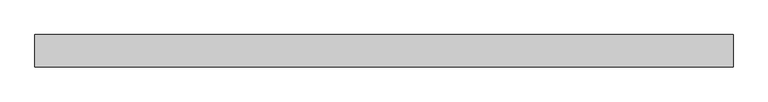
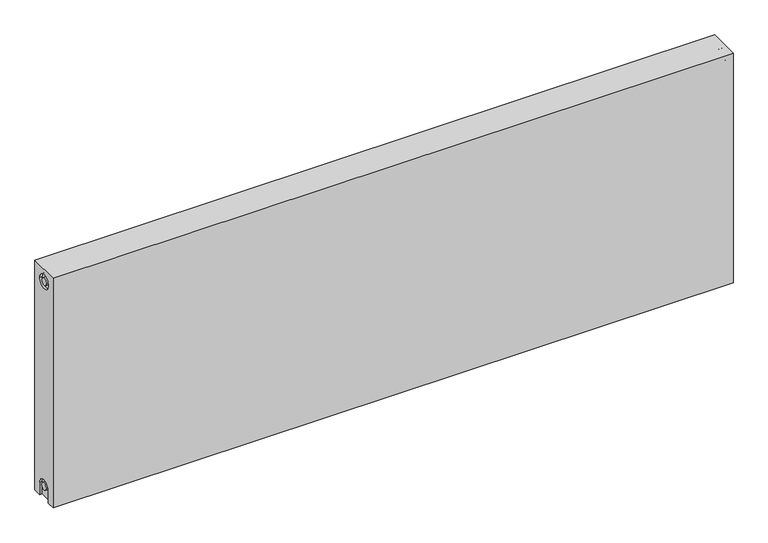
"""IFC4 building model written with IfcOpenShell, lengths in millimetres: proxy geometry."""

from ifc_helpers import new_model, si_unit, frame, origin, place, context, project, spatial, polyline, circle_curve, source, transform, mapped, element, save
from ifc_brep_helpers import plane_surface, cylinder_surface, revolved_surface, advanced_brep


def mechanical_equipment_d4072384(model_context):
    return source(origin(), model_context, "Body", "AdvancedBrep", [
        advanced_brep(
        [(1400.0, 32.5, 500.0), (1400.0, 32.5, 0.0), (0.0, 32.5, 0.0), (0.0, 32.5, 500.0), (1400.0, -32.5, 500.0), (0.0, -32.5, 500.0), (0.0, -32.5, 0.0), (1400.0, -32.5, 0.0), (1400.0, -14.65, 0.0), (1400.0, -14.65, 27.0), (1400.0, 15.35, 27.0), (1400.0, 15.35, 0.0), (1400.0, 14.7242393, 473.0), (1400.0, -15.2757607, 473.0), (1400.0, -7.5, 27.0), (1400.0, 7.5, 27.0), (1400.0, 7.2242393, 473.0), (1400.0, -7.7757607, 473.0), (1395.0, 15.35, 0.0), (1395.0, -14.65, 0.0), (0.0, -15.0, 0.0), (5.0, -15.0, 0.0), (5.0, 15.0, 0.0), (0.0, 15.0, 0.0), (0.0, 15.0, 27.0), (0.0, -15.0, 27.0), (0.0, -15.2757607, 473.0), (0.0, 14.7242393, 473.0), (0.0, -7.7757607, 473.0), (0.0, 7.2242393, 473.0), (0.0, 7.5682726, 27.0), (0.0, -7.4317274, 27.0), (5.0, -15.2757607, 473.0), (5.0, 14.7242393, 473.0), (5.0, -7.7757607, 473.0), (5.0, 7.2242393, 473.0), (5.0, -15.0, 27.0), (5.0, 15.0, 27.0), (5.0, -7.4317274, 27.0), (5.0, 7.5682726, 27.0), (1395.0, 15.35, 27.0), (1395.0, -14.65, 27.0), (1395.0, -7.5, 27.0), (1395.0, 7.5, 27.0), (1395.0, -15.2757607, 473.0), (1395.0, 14.7242393, 473.0), (1395.0, -7.7757607, 473.0), (1395.0, 7.2242393, 473.0)],
        [
            (0, 1),
            (1, 2),
            (2, 3),
            (3, 0),
            (4, 5),
            (5, 6),
            (6, 7),
            (7, 4),
            (0, 4),
            (7, 8),
            (8, 9),
            (9, 10, circle_curve(frame((1400.0, 0.35, 27.0), z_axis=(-1.0, 0.0, 0.0), x_axis=(0.0, 1.0, 0.0)), 15.0)),
            (10, 11),
            (11, 1),
            (12, 13, circle_curve(frame((1400.0, -0.2757607, 473.0), z_axis=(-1.0, 0.0, 0.0), x_axis=(0.0, 1.0, 0.0)), 15.0)),
            (13, 12, circle_curve(frame((1400.0, -0.2757607, 473.0), z_axis=(-1.0, 0.0, 0.0), x_axis=(0.0, 1.0, 0.0)), 15.0)),
            (14, 15, circle_curve(frame((1400.0, 0.0, 27.0), z_axis=(1.0, 0.0, 0.0), x_axis=(0.0, 1.0, 0.0)), 7.5)),
            (15, 14, circle_curve(frame((1400.0, 0.0, 27.0), z_axis=(1.0, 0.0, 0.0), x_axis=(0.0, 1.0, 0.0)), 7.5)),
            (16, 17, circle_curve(frame((1400.0, -0.2757607, 473.0), z_axis=(1.0, 0.0, 0.0), x_axis=(0.0, 1.0, 0.0)), 7.5)),
            (17, 16, circle_curve(frame((1400.0, -0.2757607, 473.0), z_axis=(1.0, 0.0, 0.0), x_axis=(0.0, 1.0, 0.0)), 7.5)),
            (11, 18),
            (18, 19),
            (19, 8),
            (6, 20),
            (20, 21),
            (21, 22),
            (22, 23),
            (23, 2),
            (23, 24),
            (24, 25, circle_curve(frame((0.0, 0.0, 27.0), z_axis=(1.0, 0.0, 0.0), x_axis=(0.0, 1.0, 0.0)), 15.0)),
            (25, 20),
            (5, 3),
            (26, 27, circle_curve(frame((0.0, -0.2757607, 473.0), z_axis=(1.0, 0.0, 0.0), x_axis=(0.0, 1.0, 0.0)), 15.0)),
            (27, 26, circle_curve(frame((0.0, -0.2757607, 473.0), z_axis=(1.0, 0.0, 0.0), x_axis=(0.0, 1.0, 0.0)), 15.0)),
            (28, 29, circle_curve(frame((0.0, -0.2757607, 473.0), z_axis=(-1.0, 0.0, 0.0), x_axis=(0.0, 1.0, 0.0)), 7.5)),
            (29, 28, circle_curve(frame((0.0, -0.2757607, 473.0), z_axis=(-1.0, 0.0, 0.0), x_axis=(0.0, 1.0, 0.0)), 7.5)),
            (30, 31, circle_curve(frame((0.0, 0.0682726, 27.0), z_axis=(-1.0, 0.0, 0.0), x_axis=(0.0, 1.0, 0.0)), 7.5)),
            (31, 30, circle_curve(frame((0.0, 0.0682726, 27.0), z_axis=(-1.0, 0.0, 0.0), x_axis=(0.0, 1.0, 0.0)), 7.5)),
            (32, 33, circle_curve(frame((5.0, -0.2757607, 473.0), z_axis=(-1.0, 0.0, 0.0), x_axis=(0.0, 1.0, 0.0)), 15.0)),
            (33, 32, circle_curve(frame((5.0, -0.2757607, 473.0), z_axis=(-1.0, 0.0, 0.0), x_axis=(0.0, 1.0, 0.0)), 15.0)),
            (34, 35, circle_curve(frame((5.0, -0.2757607, 473.0), z_axis=(1.0, 0.0, 0.0), x_axis=(0.0, 1.0, 0.0)), 7.5)),
            (35, 34, circle_curve(frame((5.0, -0.2757607, 473.0), z_axis=(1.0, 0.0, 0.0), x_axis=(0.0, 1.0, 0.0)), 7.5)),
            (33, 27),
            (26, 32),
            (35, 29),
            (28, 34),
            (21, 36),
            (36, 37, circle_curve(frame((5.0, 0.0, 27.0), z_axis=(-1.0, 0.0, 0.0), x_axis=(0.0, 1.0, 0.0)), 15.0)),
            (37, 22),
            (38, 39, circle_curve(frame((5.0, 0.0682726, 27.0), z_axis=(1.0, 0.0, 0.0), x_axis=(0.0, 1.0, 0.0)), 7.5)),
            (39, 38, circle_curve(frame((5.0, 0.0682726, 27.0), z_axis=(1.0, 0.0, 0.0), x_axis=(0.0, 1.0, 0.0)), 7.5)),
            (38, 31),
            (30, 39),
            (37, 24),
            (36, 25),
            (18, 40),
            (40, 41, circle_curve(frame((1395.0, 0.35, 27.0), z_axis=(1.0, 0.0, 0.0), x_axis=(0.0, 1.0, 0.0)), 15.0)),
            (41, 19),
            (42, 43, circle_curve(frame((1395.0, 0.0, 27.0), z_axis=(-1.0, 0.0, 0.0), x_axis=(0.0, 1.0, 0.0)), 7.5)),
            (43, 42, circle_curve(frame((1395.0, 0.0, 27.0), z_axis=(-1.0, 0.0, 0.0), x_axis=(0.0, 1.0, 0.0)), 7.5)),
            (43, 15),
            (14, 42),
            (10, 40),
            (9, 41),
            (44, 45, circle_curve(frame((1395.0, -0.2757607, 473.0), z_axis=(1.0, 0.0, 0.0), x_axis=(0.0, 1.0, 0.0)), 15.0)),
            (45, 44, circle_curve(frame((1395.0, -0.2757607, 473.0), z_axis=(1.0, 0.0, 0.0), x_axis=(0.0, 1.0, 0.0)), 15.0)),
            (46, 47, circle_curve(frame((1395.0, -0.2757607, 473.0), z_axis=(-1.0, 0.0, 0.0), x_axis=(0.0, 1.0, 0.0)), 7.5)),
            (47, 46, circle_curve(frame((1395.0, -0.2757607, 473.0), z_axis=(-1.0, 0.0, 0.0), x_axis=(0.0, 1.0, 0.0)), 7.5)),
            (44, 13),
            (12, 45),
            (46, 17),
            (16, 47),
        ],
        [
            plane_surface(frame((1400.0, 32.5, 500.0), z_axis=(0.0, 1.0, 0.0), x_axis=(0.0, 0.0, -1.0))),
            plane_surface(frame((1400.0, -32.5, 500.0), z_axis=(0.0, -1.0, 0.0), x_axis=(0.0, 0.0, 1.0))),
            plane_surface(frame((1400.0, 32.5, 500.0), z_axis=(1.0, 0.0, 0.0), x_axis=(0.0, -1.0, 0.0))),
            plane_surface(frame((1400.0, 32.5, 0.0), z_axis=(0.0, 0.0, -1.0), x_axis=(0.0, -1.0, 0.0))),
            plane_surface(frame((0.0, 32.5, 0.0), z_axis=(-1.0, 0.0, 0.0), x_axis=(0.0, -1.0, 0.0))),
            plane_surface(frame((0.0, 32.5, 500.0), z_axis=(0.0, 0.0, 1.0), x_axis=(0.0, -1.0, 0.0))),
            plane_surface(frame((5.0, 14.7242393, 473.0), z_axis=(-1.0, 0.0, 0.0), x_axis=(0.0, 0.0, 1.0))),
            revolved_surface(polyline([(5.0, 14.7242393, 473.0), (0.0, 14.7242393, 473.0)]), (0.0, -0.2757607, 473.0), (1.0, 0.0, 0.0)),
            cylinder_surface(frame((0.0, -0.2757607, 473.0), z_axis=(-1.0, 0.0, 0.0), x_axis=(0.0, 1.0, 0.0)), 7.5),
            plane_surface(frame((5.0, 7.5682726, 27.0), z_axis=(-1.0, 0.0, 0.0), x_axis=(0.0, 0.0, -1.0))),
            cylinder_surface(frame((0.0, 0.0682726, 27.0), z_axis=(-1.0, 0.0, 0.0), x_axis=(0.0, 1.0, 0.0)), 7.5),
            plane_surface(frame((5.0, 15.0, 0.0), z_axis=(0.0, -1.0, 0.0), x_axis=(-1.0, 0.0, 0.0))),
            revolved_surface(polyline([(5.0, 15.0, 27.0), (0.0, 15.0, 27.0)]), (0.0, 0.0, 27.0), (1.0, 0.0, 0.0)),
            plane_surface(frame((5.0, -15.0, 27.0), z_axis=(0.0, 1.0, 0.0), x_axis=(-1.0, 0.0, 0.0))),
            plane_surface(frame((1395.0, 7.5, 27.0), z_axis=(1.0, 0.0, 0.0), x_axis=(0.0, 0.0, 1.0))),
            cylinder_surface(frame((1395.0, 0.0, 27.0), z_axis=(-1.0, 0.0, 0.0), x_axis=(0.0, 1.0, 0.0)), 7.5),
            plane_surface(frame((1400.0, 15.35, 0.0), z_axis=(0.0, -1.0, 0.0), x_axis=(-1.0, 0.0, 0.0))),
            revolved_surface(polyline([(1400.0, 15.35, 27.0), (1395.0, 15.35, 27.0)]), (895.0, 0.35, 27.0), (1.0, 0.0, 0.0)),
            plane_surface(frame((1400.0, -14.65, 27.0), z_axis=(0.0, 1.0, 0.0), x_axis=(-1.0, 0.0, 0.0))),
            plane_surface(frame((1395.0, 14.7242393, 473.0), z_axis=(1.0, 0.0, 0.0), x_axis=(0.0, 0.0, -1.0))),
            revolved_surface(polyline([(1400.0, 14.7242393, 473.0), (1395.0, 14.7242393, 473.0)]), (1395.0, -0.2757607, 473.0), (1.0, 0.0, 0.0)),
            cylinder_surface(frame((895.0, -0.2757607, 473.0), z_axis=(-1.0, 0.0, 0.0), x_axis=(0.0, 1.0, 0.0)), 7.5),
        ],
        [
            (0, [[1, 2, 3, 4]]),
            (1, [[5, 6, 7, 8]]),
            (2, [[-1, 9, -8, 10, 11, 12, 13, 14], [15, 16]]),
            (2, [[17, 18]]),
            (2, [[19, 20]]),
            (3, [[-2, -14, 21, 22, 23, -10, -7, 24, 25, 26, 27, 28]]),
            (4, [[-3, -28, 29, 30, 31, -24, -6, 32], [33, 34]]),
            (4, [[35, 36]]),
            (4, [[37, 38]]),
            (5, [[-4, -32, -5, -9]]),
            (6, [[39, 40], [41, 42]]),
            (7, [[-40, 43, -33, 44]]),
            (7, [[-39, -44, -34, -43]]),
            (8, [[-42, 45, -35, 46]]),
            (8, [[-41, -46, -36, -45]]),
            (9, [[47, 48, 49, -26], [50, 51]]),
            (10, [[-50, 52, -37, 53]]),
            (10, [[-51, -53, -38, -52]]),
            (11, [[-49, 54, -29, -27]]),
            (12, [[-48, 55, -30, -54]]),
            (13, [[-47, -25, -31, -55]]),
            (14, [[56, 57, 58, -22], [59, 60]]),
            (15, [[-60, 61, -17, 62]]),
            (15, [[-59, -62, -18, -61]]),
            (16, [[-56, -21, -13, 63]]),
            (17, [[-57, -63, -12, 64]]),
            (18, [[-58, -64, -11, -23]]),
            (19, [[65, 66], [67, 68]]),
            (20, [[-65, 69, -15, 70]]),
            (20, [[-66, -70, -16, -69]]),
            (21, [[-67, 71, -19, 72]]),
            (21, [[-68, -72, -20, -71]]),
        ],
    ),
    ])


if __name__ == "__main__":
    model = new_model("IFC4")
    model_context = context("Model", 3, world=origin())
    ifc_project = project(units=[si_unit("LENGTHUNIT", "METRE", prefix="MILLI")], contexts=[model_context])
    site = spatial("IfcSite", under=ifc_project)
    building = spatial("IfcBuilding", under=site)
    placement = place(None, origin())
    mechanical_equipment_shape = mechanical_equipment_d4072384(model_context)
    element("IfcBuildingElementProxy", 1, Name="Mechanical Equipment", at=placement, inside=building, context=model_context, shape_type="MappedRepresentation", body=[
        mapped(mechanical_equipment_shape, transform((0.0, 0.0, 0.0), x_axis=(1.0, 0.0, 0.0), y_axis=(0.0, 1.0, 0.0), z_axis=(0.0, 0.0, 1.0))),
    ])
    save(model, "model.ifc")
